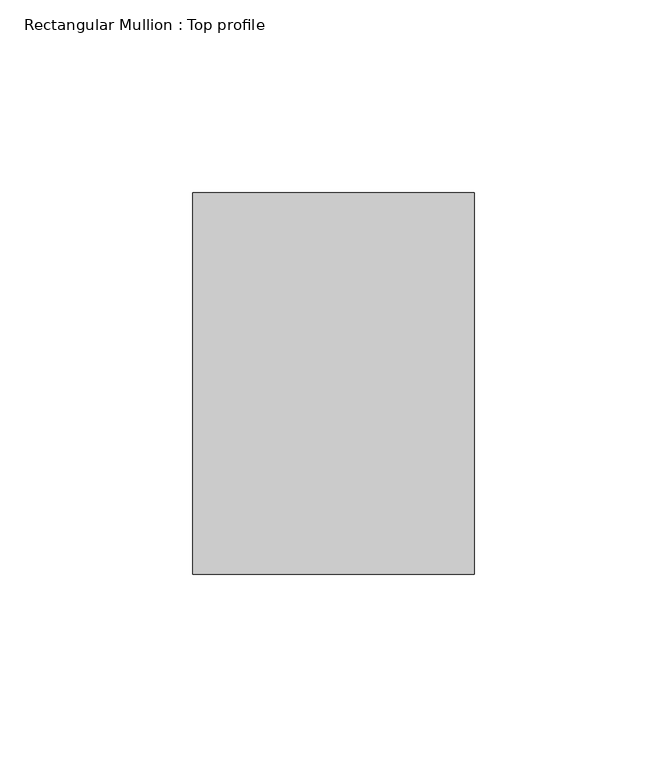
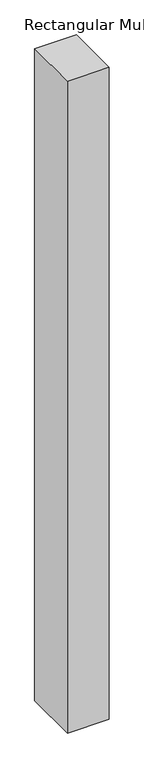
"""IFC4 building model written with IfcOpenShell, lengths in millimetres: member geometry, Rectangular Mullion : Top profile."""

from ifc_helpers import new_model, si_unit, frame, origin, place, context, project, spatial, polyline, outline, extrude, source, transform, mapped, element, save


def rectangular_mullion_top_profile_208928bf(model_context):
    return source(origin(), model_context, "Body", "SweptSolid", [
        extrude(outline(polyline([(-73.0, -49.5), (-73.0, 49.5), (0.0, 49.5), (0.0, -49.5), (-73.0, -49.5)])), frame((0.0, 0.0, -1205.0), z_axis=(0.0, 0.0, 1.0), x_axis=(1.0, 0.0, 0.0)), (0.0, 0.0, 1.0), 1205.0),
    ])


if __name__ == "__main__":
    model = new_model("IFC4")
    model_context = context("Model", 3, world=origin())
    ifc_project = project(units=[si_unit("LENGTHUNIT", "METRE", prefix="MILLI")], contexts=[model_context])
    site = spatial("IfcSite", under=ifc_project)
    building = spatial("IfcBuilding", under=site)
    placement = place(None, origin())
    rectangular_mullion_top_profile_shape = rectangular_mullion_top_profile_208928bf(model_context)
    element("IfcMember", 1, ObjectType="Rectangular Mullion : Top profile", at=placement, inside=building, context=model_context, shape_type="MappedRepresentation", body=[
        mapped(rectangular_mullion_top_profile_shape, transform((0.0, 0.0, 0.0), x_axis=(1.0, 0.0, 0.0), y_axis=(0.0, 1.0, 0.0), z_axis=(0.0, 0.0, 1.0))),
    ])
    save(model, "model.ifc")
